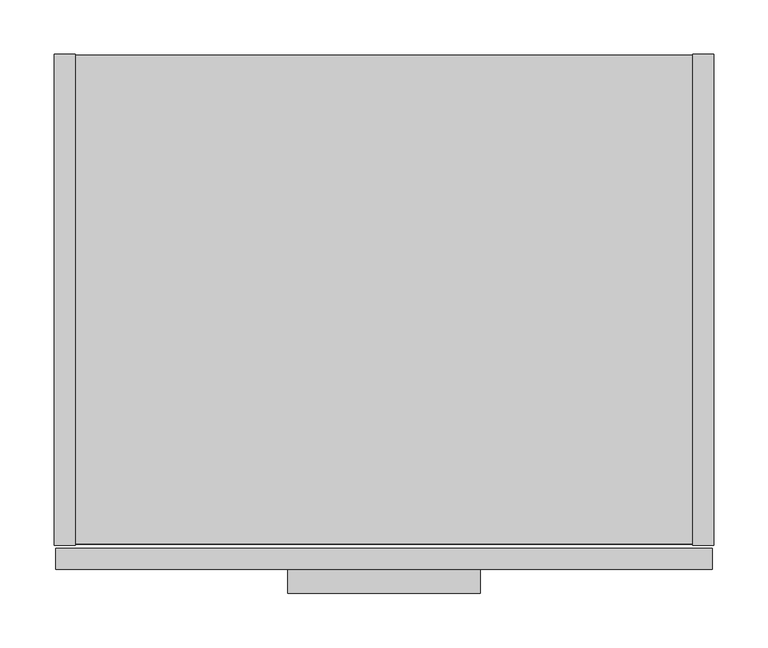
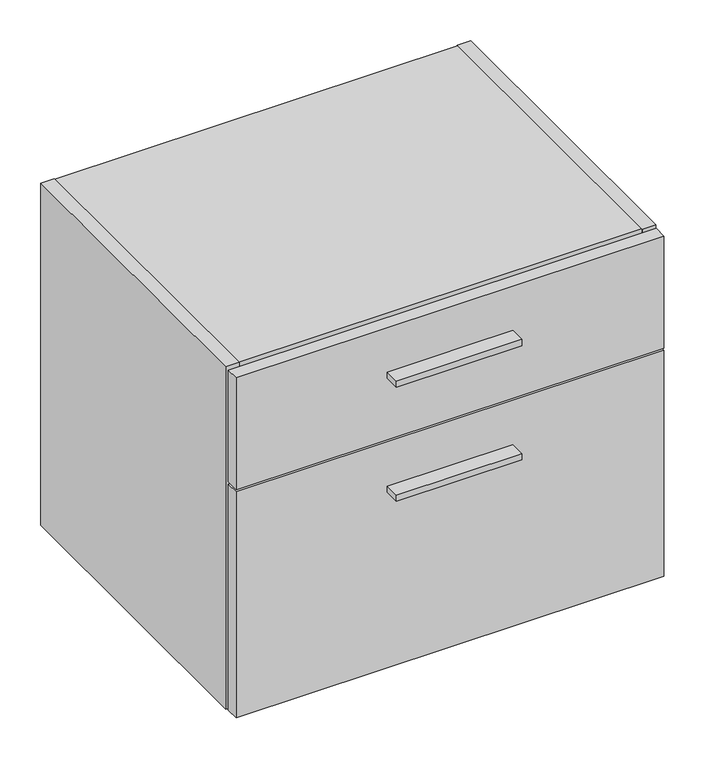
"""IFC4 building model written with IfcOpenShell, lengths in millimetres: furniture geometry."""

from ifc_helpers import new_model, si_unit, point, frame, frame_2d, origin, place, context, project, spatial, polyline, circle_curve, trimmed, segment, composite_curve, outline, extrude, source, transform, mapped, element, save


def furniture_27f178a4(model_context):
    return source(origin(), model_context, "Body", "SweptSolid", [
        extrude(outline(polyline([(393.7, -498.729), (215.9, -498.729), (215.9, -476.504), (393.7, -476.504), (393.7, -498.729)])), frame((0.0, 0.0, 588.2767), z_axis=(0.0, 0.0, 1.0), x_axis=(1.0, 0.0, 0.0)), (0.0, 0.0, 1.0), 9.525),
        extrude(outline(polyline([(393.7, -498.729), (215.9, -498.729), (215.9, -476.504), (393.7, -476.504), (393.7, -498.729)])), frame((0.0, 0.0, 759.1425), z_axis=(0.0, 0.0, 1.0), x_axis=(1.0, 0.0, 0.0)), (0.0, 0.0, 1.0), 9.525),
        extrude(outline(polyline([(608.0125, -476.504), (1.5875, -476.504), (1.5875, -457.2), (608.0125, -457.2), (608.0125, -476.504)])), frame((0.0, 0.0, 667.3342), z_axis=(0.0, 0.0, 1.0), x_axis=(1.0, 0.0, 0.0)), (0.0, 0.0, 1.0), 167.6908),
        extrude(outline(polyline([(608.0125, -476.504), (1.5875, -476.504), (1.5875, -457.2), (608.0125, -457.2), (608.0125, -476.504)])), frame((0.0, 0.0, 325.6026), z_axis=(0.0, 0.0, 1.0), x_axis=(1.0, 0.0, 0.0)), (0.0, 0.0, 1.0), 338.5566),
        extrude(outline(polyline([(19.304, 0.0), (19.304, -454.025), (0.0, -454.025), (0.0, 0.0), (19.304, 0.0)])), frame((0.0, 0.0, 325.628), z_axis=(0.0, 0.0, 1.0), x_axis=(1.0, 0.0, 0.0)), (0.0, 0.0, 1.0), 512.572),
        extrude(outline(composite_curve([segment(polyline([(-454.025, 838.2), (0.0, 838.2), (0.0, 761.492), (-9.3963729, 761.492)]), True, "CONTINUOUS"), segment(trimmed(circle_curve(frame_2d((-9.3963729, 758.1883729)), 3.3036271), [point((-9.3963729, 761.492))], [point((-12.7, 758.1883729))], True, "CARTESIAN"), True, "CONTINUOUS"), segment(polyline([(-12.7, 758.1883729), (-12.7, 656.844)]), True, "CONTINUOUS"), segment(trimmed(circle_curve(frame_2d((-9.398, 656.844)), 3.302), [point((-12.7, 656.844))], [point((-9.398, 653.542))], True, "CARTESIAN"), True, "CONTINUOUS"), segment(polyline([(-9.398, 653.542), (0.0, 653.542), (0.0, 325.628), (-454.025, 325.628), (-454.025, 838.2)]), True, "CONTINUOUS")], self_intersect=False)), frame((590.296, 0.0, 0.0), z_axis=(1.0, 0.0, 0.0), x_axis=(0.0, 1.0, 0.0)), (0.0, 0.0, 1.0), 19.304),
        extrude(outline(polyline([(590.296, -0.9906), (590.296, -453.0344), (19.304, -453.0344), (19.304, -0.9906), (590.296, -0.9906)])), frame((0.0, 0.0, 326.6186), z_axis=(0.0, 0.0, 1.0), x_axis=(1.0, 0.0, 0.0)), (0.0, 0.0, 1.0), 19.304),
        extrude(outline(composite_curve([segment(polyline([(-32.004, 818.896), (-11.938, 818.896), (-11.938, 760.2988429)]), True, "CONTINUOUS"), segment(trimmed(circle_curve(frame_2d((-9.3963729, 758.1883729)), 3.3036271), [point((-11.938, 760.2988429))], [point((-12.7, 758.1883729))], True, "CARTESIAN"), True, "CONTINUOUS"), segment(polyline([(-12.7, 758.1883729), (-12.7, 656.844)]), True, "CONTINUOUS"), segment(trimmed(circle_curve(frame_2d((-9.398, 656.844)), 3.302), [point((-12.7, 656.844))], [point((-11.938, 654.7341175))], True, "CARTESIAN"), True, "CONTINUOUS"), segment(polyline([(-11.938, 654.7341175), (-11.938, 345.9226), (-32.004, 345.9226), (-32.004, 818.896)]), True, "CONTINUOUS")], self_intersect=False)), frame((19.304, 0.0, 0.0), z_axis=(1.0, 0.0, 0.0), x_axis=(0.0, 1.0, 0.0)), (0.0, 0.0, 1.0), 570.992),
        extrude(outline(polyline([(590.296, -453.0344), (19.304, -453.0344), (19.304, -0.9906), (590.296, -0.9906), (590.296, -453.0344)])), frame((0.0, 0.0, 818.896), z_axis=(0.0, 0.0, 1.0), x_axis=(1.0, 0.0, 0.0)), (0.0, 0.0, 1.0), 19.304),
    ])


if __name__ == "__main__":
    model = new_model("IFC4")
    model_context = context("Model", 3, world=origin())
    ifc_project = project(units=[si_unit("LENGTHUNIT", "METRE", prefix="MILLI")], contexts=[model_context])
    site = spatial("IfcSite", under=ifc_project)
    building = spatial("IfcBuilding", under=site)
    placement = place(None, origin())
    furniture_shape = furniture_27f178a4(model_context)
    element("IfcFurniture", 1, at=placement, inside=building, context=model_context, shape_type="MappedRepresentation", body=[
        mapped(furniture_shape, transform((0.0, 0.0, 0.0), x_axis=(1.0, 0.0, 0.0), y_axis=(0.0, 1.0, 0.0), z_axis=(0.0, 0.0, 1.0))),
    ])
    save(model, "model.ifc")
